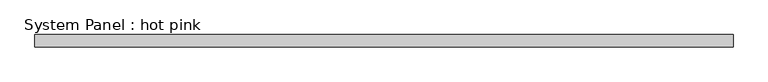
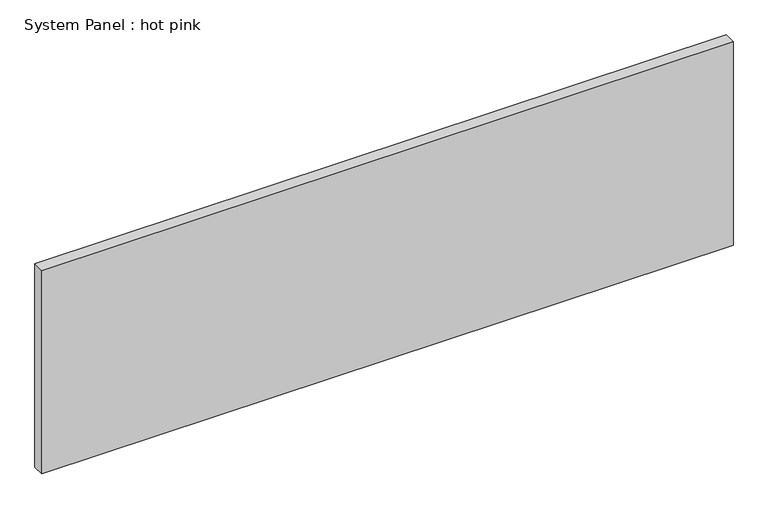
"""IFC4 building model written with IfcOpenShell, lengths in millimetres: plate geometry, System Panel : hot pink."""

from ifc_helpers import new_model, si_unit, origin, origin_with_axes, place, context, project, spatial, polyline, outline, extrude, source, transform, mapped, element, save


def system_panel_hot_pink_b158a39a(model_context):
    return source(origin(), model_context, "Body", "SweptSolid", [
        extrude(outline(polyline([(1808.0114903, -19.05), (-1808.0114903, -19.05), (-1808.0114903, 44.45), (1808.0114903, 44.45), (1808.0114903, -19.05)])), origin_with_axes(), (0.0, 0.0, 1.0), 1123.95),
    ])


if __name__ == "__main__":
    model = new_model("IFC4")
    model_context = context("Model", 3, world=origin())
    ifc_project = project(units=[si_unit("LENGTHUNIT", "METRE", prefix="MILLI")], contexts=[model_context])
    site = spatial("IfcSite", under=ifc_project)
    building = spatial("IfcBuilding", under=site)
    placement = place(None, origin())
    system_panel_hot_pink_shape = system_panel_hot_pink_b158a39a(model_context)
    element("IfcPlate", 1, ObjectType="System Panel : hot pink", at=placement, inside=building, context=model_context, shape_type="MappedRepresentation", body=[
        mapped(system_panel_hot_pink_shape, transform((0.0, 0.0, 0.0), x_axis=(1.0, 0.0, 0.0), y_axis=(0.0, 1.0, 0.0), z_axis=(0.0, 0.0, 1.0))),
    ])
    save(model, "model.ifc")
